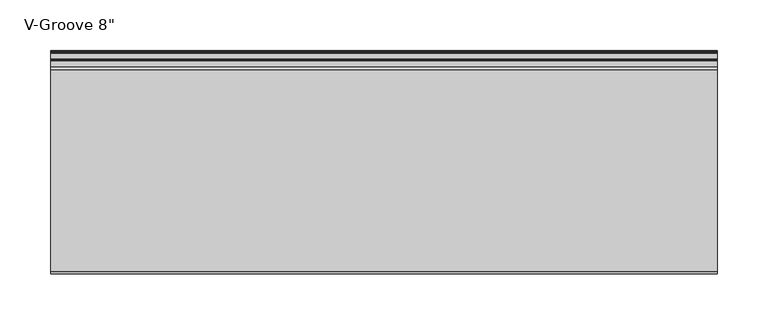
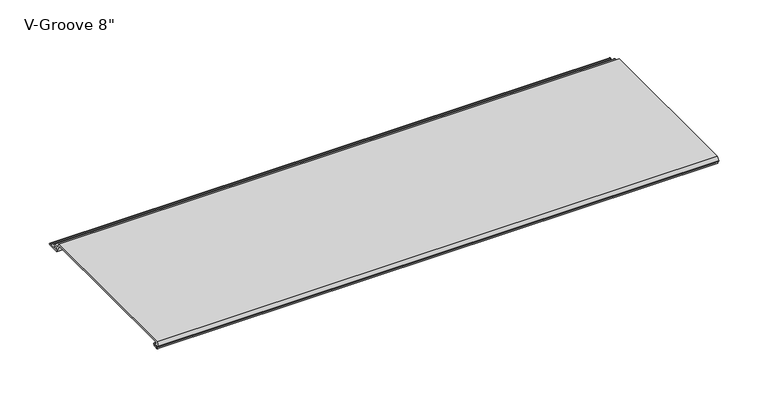
"""IFC4 building model written with IfcOpenShell, lengths in millimetres: proxy geometry."""

from ifc_helpers import new_model, si_unit, frame, origin, place, context, project, spatial, polyline, circle_curve, source, transform, mapped, element, save
from ifc_brep_helpers import plane_surface, cylinder_surface, revolved_surface, advanced_brep


def proxy_ebe9b259(model_context):
    return source(origin(), model_context, "Body", "AdvancedBrep", [
        advanced_brep(
        [(0.0, 4.8748016, 8.2677279), (0.0, 3.9297655, 8.3107178), (0.0, 1.0903749, 8.3537076), (0.0, 0.065443, 8.3537076), (0.0, 0.065443, 9.2261945), (0.0, 2.1184419, 13.2537076), (0.0, 200.5967857, 13.2537076), (0.0, 203.2, 8.1468156), (0.0, 209.0910449, 8.1468156), (0.0, 209.0738459, 6.6269129), (0.0, 204.9507651, 6.6268074), (0.0, 204.4162088, 5.7543198), (0.0, 205.5634478, 3.5037076), (0.0, 210.3480327, 3.5037076), (0.0, 211.105331, 2.8682589), (0.0, 216.8979176, 2.8682589), (0.0, 217.6552159, 3.5037076), (0.0, 218.6052159, 3.5037076), (0.0, 218.6052159, 1.8537076), (0.0, 204.6456734, 1.8537076), (0.0, 199.6348769, 11.6837076), (0.0, 4.9698231, 11.6837076), (0.0, 4.9454257, 9.4970429), (0.0, 6.3252986, 9.4327708), (0.0, 6.2190404, 4.8677279), (0.0, 2.2867276, 4.8677279), (0.0, 2.2368711, 6.1940104), (0.0, 4.5055344, 6.3177279), (0.0, 6.0740222, 6.3177279), (0.0, 6.0740222, 8.2677279), (653.773, 4.8748016, 8.2677279), (653.773, 6.0740222, 8.2677279), (653.773, 6.0740222, 6.3177279), (653.773, 4.5055344, 6.3177279), (653.773, 2.2368711, 6.1940104), (653.773, 2.2867276, 4.8677279), (653.773, 6.2190404, 4.8677279), (653.773, 6.3252986, 9.4327708), (653.773, 4.9454257, 9.4970429), (653.773, 4.9698231, 11.6837076), (653.773, 199.6348769, 11.6837076), (653.773, 204.6456734, 1.8537076), (653.773, 218.6052159, 1.8537076), (653.773, 218.6052159, 3.5037076), (653.773, 217.6552159, 3.5037076), (653.773, 216.8979176, 2.8682589), (653.773, 211.105331, 2.8682589), (653.773, 210.3480327, 3.5037076), (653.773, 205.5634478, 3.5037076), (653.773, 204.4162088, 5.7543198), (653.773, 204.9507651, 6.6268074), (653.773, 209.0738459, 6.6268074), (653.773, 209.0910449, 8.1468156), (653.773, 203.2, 8.1468156), (653.773, 200.5967857, 13.2537076), (653.773, 2.1184419, 13.2537076), (653.773, 0.065443, 9.2261945), (653.773, 0.065443, 8.3537076), (653.773, 1.0903749, 8.3537076), (653.773, 3.9297655, 8.3107178)],
        [
            (0, 1),
            (1, 2, circle_curve(frame((0.0, 2.4847467, 6.6596487), z_axis=(1.0, 0.0, 0.0), x_axis=(0.0, 1.0, 0.0)), 2.1941076)),
            (2, 3),
            (3, 4),
            (4, 5),
            (5, 6),
            (6, 7),
            (7, 8),
            (8, 9, circle_curve(frame((0.0, 209.0824454, 7.3868643), z_axis=(-1.0, 0.0, 0.0), x_axis=(0.0, 1.0, 0.0)), 0.76)),
            (9, 10),
            (10, 11, circle_curve(frame((0.0, 204.9507651, 6.0268074), z_axis=(1.0, 0.0, 0.0), x_axis=(0.0, 1.0, 0.0)), 0.6)),
            (11, 12),
            (12, 13),
            (13, 14),
            (14, 15),
            (15, 16),
            (16, 17),
            (17, 18, circle_curve(frame((0.0, 218.6052159, 2.6787076), z_axis=(-1.0, 0.0, 0.0), x_axis=(0.0, 1.0, 0.0)), 0.825)),
            (18, 19),
            (19, 20),
            (20, 21),
            (21, 22, circle_curve(frame((0.0, 4.9836004, 10.5900854), z_axis=(1.0, 0.0, 0.0), x_axis=(0.0, 1.0, 0.0)), 1.093709)),
            (22, 23),
            (23, 24, circle_curve(frame((0.0, 6.2190404, 7.151486), z_axis=(-1.0, 0.0, 0.0), x_axis=(0.0, 1.0, 0.0)), 2.2837581)),
            (24, 25),
            (25, 26, circle_curve(frame((0.0, 2.2867276, 5.5318063), z_axis=(-1.0, 0.0, 0.0), x_axis=(0.0, 1.0, 0.0)), 0.6640784)),
            (26, 27),
            (27, 28),
            (28, 29, circle_curve(frame((0.0, 6.0740222, 7.2927279), z_axis=(1.0, 0.0, 0.0), x_axis=(0.0, 1.0, 0.0)), 0.975)),
            (29, 0),
            (30, 31),
            (31, 32, circle_curve(frame((653.773, 6.0740222, 7.2927279), z_axis=(-1.0, 0.0, 0.0), x_axis=(0.0, 1.0, 0.0)), 0.975)),
            (32, 33),
            (33, 34),
            (34, 35, circle_curve(frame((653.773, 2.2867276, 5.5318063), z_axis=(1.0, 0.0, 0.0), x_axis=(0.0, 1.0, 0.0)), 0.6640784)),
            (35, 36),
            (36, 37, circle_curve(frame((653.773, 6.2190404, 7.151486), z_axis=(1.0, 0.0, 0.0), x_axis=(0.0, 1.0, 0.0)), 2.2837581)),
            (37, 38),
            (38, 39, circle_curve(frame((653.773, 4.9836004, 10.5900854), z_axis=(-1.0, 0.0, 0.0), x_axis=(0.0, 1.0, 0.0)), 1.093709)),
            (39, 40),
            (40, 41),
            (41, 42),
            (42, 43, circle_curve(frame((653.773, 218.6052159, 2.6787076), z_axis=(1.0, 0.0, 0.0), x_axis=(0.0, 1.0, 0.0)), 0.825)),
            (43, 44),
            (44, 45),
            (45, 46),
            (46, 47),
            (47, 48),
            (48, 49),
            (49, 50, circle_curve(frame((653.773, 204.9507651, 6.0268074), z_axis=(-1.0, 0.0, 0.0), x_axis=(0.0, 1.0, 0.0)), 0.6)),
            (50, 51),
            (51, 52, circle_curve(frame((653.773, 209.0824454, 7.3868643), z_axis=(1.0, 0.0, 0.0), x_axis=(0.0, 1.0, 0.0)), 0.76)),
            (52, 53),
            (53, 54),
            (54, 55),
            (55, 56),
            (56, 57),
            (57, 58),
            (58, 59, circle_curve(frame((653.773, 2.4847467, 6.6596487), z_axis=(-1.0, 0.0, 0.0), x_axis=(0.0, 1.0, 0.0)), 2.1941076)),
            (59, 30),
            (0, 30),
            (59, 1),
            (58, 2),
            (57, 3),
            (56, 4),
            (55, 5),
            (54, 6),
            (53, 7),
            (52, 8),
            (51, 9),
            (50, 10),
            (49, 11),
            (48, 12),
            (47, 13),
            (46, 14),
            (45, 15),
            (44, 16),
            (43, 17),
            (42, 18),
            (41, 19),
            (40, 20),
            (39, 21),
            (38, 22),
            (37, 23),
            (36, 24),
            (35, 25),
            (34, 26),
            (33, 27),
            (32, 28),
            (31, 29),
        ],
        [
            plane_surface(frame((0.0, 0.0, 0.0), z_axis=(-1.0, 0.0, 0.0), x_axis=(0.0, 0.0, 1.0))),
            plane_surface(frame((653.773, 0.0, 0.0), z_axis=(1.0, 0.0, 0.0), x_axis=(0.0, 0.0, 1.0))),
            plane_surface(frame((0.0, 4.8748016, 8.2677279), z_axis=(0.0, -0.045443199353729875, -0.9989669241934376), x_axis=(1.0, 0.0, 0.0))),
            revolved_surface(polyline([(653.773, 4.6788543, 6.6596487), (0.0, 4.6788543, 6.6596487)]), (0.0, 2.4847467, 6.6596487), (1.0, 0.0, 0.0)),
            plane_surface(frame((0.0, 1.0903749, 8.3537076), z_axis=(0.0, 0.0, -1.0), x_axis=(1.0, 0.0, 0.0))),
            plane_surface(frame((0.0, 0.065443, 8.3537076), z_axis=(0.0, -1.0, 0.0), x_axis=(1.0, 0.0, 0.0))),
            plane_surface(frame((0.0, 0.065443, 9.2261945), z_axis=(0.0, -0.8909279044420536, 0.4541447666620095), x_axis=(1.0, 0.0, 0.0))),
            plane_surface(frame((0.0, 2.1184419, 13.2537076), z_axis=(0.0, 0.0, 1.0), x_axis=(1.0, 0.0, 0.0))),
            plane_surface(frame((0.0, 200.5967857, 13.2537076), z_axis=(0.0, 0.8909272743280147, 0.45414600279915984), x_axis=(1.0, 0.0, 0.0))),
            plane_surface(frame((0.0, 203.2, 8.1468156), z_axis=(0.0, 0.0, 1.0), x_axis=(1.0, 0.0, 0.0))),
            cylinder_surface(frame((0.0, 209.0824454, 7.3868643), z_axis=(-1.0, 0.0, 0.0), x_axis=(0.0, 1.0, 0.0)), 0.76),
            plane_surface(frame((0.0, 209.0738459, 6.6268074), z_axis=(0.0, 0.0, -1.0), x_axis=(1.0, 0.0, 0.0))),
            revolved_surface(polyline([(653.773, 205.5507651, 6.0268074), (0.0, 205.5507651, 6.0268074)]), (0.0, 204.9507651, 6.0268074), (1.0, 0.0, 0.0)),
            plane_surface(frame((0.0, 204.4162088, 5.7543198), z_axis=(0.0, 0.8909272743742442, 0.4541460027084684), x_axis=(1.0, 0.0, 0.0))),
            plane_surface(frame((0.0, 205.5634478, 3.5037076), z_axis=(0.0, 0.0, 1.0), x_axis=(1.0, 0.0, 0.0))),
            plane_surface(frame((0.0, 210.3480327, 3.5037076), z_axis=(0.0, 0.6427876096865576, 0.7660444431189628), x_axis=(1.0, 0.0, 0.0))),
            plane_surface(frame((0.0, 211.105331, 2.8682589), z_axis=(0.0, 0.0, 1.0), x_axis=(1.0, 0.0, 0.0))),
            plane_surface(frame((0.0, 216.8979176, 2.8682589), z_axis=(0.0, -0.6427876096865565, 0.7660444431189637), x_axis=(1.0, 0.0, 0.0))),
            plane_surface(frame((0.0, 217.6552159, 3.5037076), z_axis=(0.0, 0.0, 1.0), x_axis=(1.0, 0.0, 0.0))),
            cylinder_surface(frame((0.0, 218.6052159, 2.6787076), z_axis=(-1.0, 0.0, 0.0), x_axis=(0.0, 1.0, 0.0)), 0.825),
            plane_surface(frame((0.0, 218.6052159, 1.8537076), z_axis=(0.0, 0.0, -1.0), x_axis=(1.0, 0.0, 0.0))),
            plane_surface(frame((0.0, 204.6456734, 1.8537076), z_axis=(0.0, -0.8909272743276319, -0.4541460027999108), x_axis=(1.0, 0.0, 0.0))),
            plane_surface(frame((0.0, 199.6348769, 11.6837076), z_axis=(0.0, 0.0, -1.0), x_axis=(1.0, 0.0, 0.0))),
            revolved_surface(polyline([(653.773, 6.077309400000001, 10.5900854), (0.0, 6.077309400000001, 10.5900854)]), (0.0, 4.9836004, 10.5900854), (1.0, 0.0, 0.0)),
            plane_surface(frame((0.0, 4.9454257, 9.4970429), z_axis=(0.0, 0.046527768163272164, 0.9989169969470661), x_axis=(1.0, 0.0, 0.0))),
            cylinder_surface(frame((0.0, 6.2190404, 7.151486), z_axis=(-1.0, 0.0, 0.0), x_axis=(0.0, 1.0, 0.0)), 2.2837581),
            plane_surface(frame((0.0, 6.2190404, 4.8677279), z_axis=(0.0, 0.0, -1.0), x_axis=(1.0, 0.0, 0.0))),
            cylinder_surface(frame((0.0, 2.2867276, 5.5318063), z_axis=(-1.0, 0.0, 0.0), x_axis=(0.0, 1.0, 0.0)), 0.6640784),
            plane_surface(frame((0.0, 2.2368711, 6.1940104), z_axis=(0.0, -0.054452281472051646, 0.9985163739481133), x_axis=(1.0, 0.0, 0.0))),
            plane_surface(frame((0.0, 4.5055344, 6.3177279), z_axis=(0.0, 0.0, 1.0), x_axis=(1.0, 0.0, 0.0))),
            revolved_surface(polyline([(653.773, 7.0490222, 7.2927279), (0.0, 7.0490222, 7.2927279)]), (0.0, 6.0740222, 7.2927279), (1.0, 0.0, 0.0)),
            plane_surface(frame((0.0, 6.0740222, 8.2677279), z_axis=(0.0, 0.0, -1.0), x_axis=(1.0, 0.0, 0.0))),
        ],
        [
            (0, [[1, 2, 3, 4, 5, 6, 7, 8, 9, 10, 11, 12, 13, 14, 15, 16, 17, 18, 19, 20, 21, 22, 23, 24, 25, 26, 27, 28, 29, 30]]),
            (1, [[31, 32, 33, 34, 35, 36, 37, 38, 39, 40, 41, 42, 43, 44, 45, 46, 47, 48, 49, 50, 51, 52, 53, 54, 55, 56, 57, 58, 59, 60]]),
            (2, [[-1, 61, -60, 62]]),
            (3, [[-2, -62, -59, 63]]),
            (4, [[-3, -63, -58, 64]]),
            (5, [[-4, -64, -57, 65]]),
            (6, [[-5, -65, -56, 66]]),
            (7, [[-6, -66, -55, 67]]),
            (8, [[-7, -67, -54, 68]]),
            (9, [[-8, -68, -53, 69]]),
            (10, [[-9, -69, -52, 70]]),
            (11, [[-10, -70, -51, 71]]),
            (12, [[-11, -71, -50, 72]]),
            (13, [[-12, -72, -49, 73]]),
            (14, [[-13, -73, -48, 74]]),
            (15, [[-14, -74, -47, 75]]),
            (16, [[-15, -75, -46, 76]]),
            (17, [[-16, -76, -45, 77]]),
            (18, [[-17, -77, -44, 78]]),
            (19, [[-18, -78, -43, 79]]),
            (20, [[-19, -79, -42, 80]]),
            (21, [[-20, -80, -41, 81]]),
            (22, [[-21, -81, -40, 82]]),
            (23, [[-22, -82, -39, 83]]),
            (24, [[-23, -83, -38, 84]]),
            (25, [[-24, -84, -37, 85]]),
            (26, [[-25, -85, -36, 86]]),
            (27, [[-26, -86, -35, 87]]),
            (28, [[-27, -87, -34, 88]]),
            (29, [[-28, -88, -33, 89]]),
            (30, [[-29, -89, -32, 90]]),
            (31, [[-30, -90, -31, -61]]),
        ],
    ),
    ])


if __name__ == "__main__":
    model = new_model("IFC4")
    model_context = context("Model", 3, world=origin())
    ifc_project = project(units=[si_unit("LENGTHUNIT", "METRE", prefix="MILLI")], contexts=[model_context])
    site = spatial("IfcSite", under=ifc_project)
    building = spatial("IfcBuilding", under=site)
    placement = place(None, origin())
    proxy_shape = proxy_ebe9b259(model_context)
    element("IfcBuildingElementProxy", 1, Name="V-Groove 8\"", ObjectType="V-Groove 8\"", at=placement, inside=building, context=model_context, shape_type="MappedRepresentation", body=[
        mapped(proxy_shape, transform((0.0, 0.0, 0.0), x_axis=(1.0, 0.0, 0.0), y_axis=(0.0, 1.0, 0.0), z_axis=(0.0, 0.0, 1.0))),
    ])
    save(model, "model.ifc")
